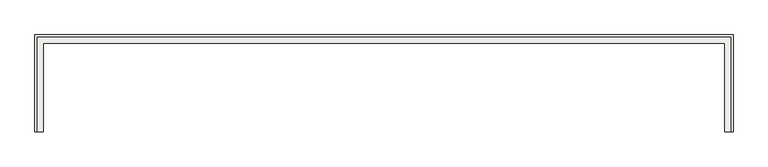
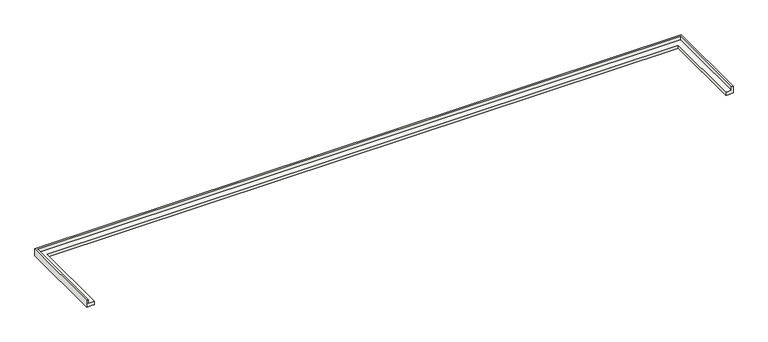
"""IFC4 building model written with IfcOpenShell, lengths in millimetres: slab geometry."""

from ifc_helpers import new_model, si_unit, origin, place, context, project, spatial, faceted_brep, source, transform, mapped, element, save


def slab_2f2f7654(model_context):
    return source(origin(), model_context, "Body", "Brep", [
        faceted_brep([(72629.3852488, 10041.1764706, 13115.0), (72629.3852488, 10041.1764706, 12815.0), (72729.3852488, 10041.1764706, 12815.0), (73279.3852488, 10041.1764706, 12815.0), (73279.3852488, 10041.1764706, 13415.0), (73129.3852488, 10041.1764706, 13415.0), (73129.3852488, 10041.1764706, 13115.0), (72779.3852488, 10041.1764706, 13115.0), (72629.3852488, 17091.1764706, 13115.0), (72629.3852488, 17091.1764706, 12815.0), (72629.3852488, 16941.1764706, 12815.0), (32279.3852488, 17091.1764706, 12815.0), (31779.3852488, 17091.1764706, 12815.0), (18429.3852488, 17091.1764706, 12815.0), (18429.3852488, 16941.1764706, 12815.0), (18429.3852488, 10041.1764706, 12815.0), (18329.3852488, 10041.1764706, 12815.0), (17779.3852488, 10041.1764706, 12815.0), (17779.3852488, 17741.1764706, 12815.0), (73279.3852488, 17741.1764706, 12815.0), (73279.3852488, 17741.1764706, 13415.0), (17779.3852488, 17741.1764706, 13415.0), (17779.3852488, 10041.1764706, 13415.0), (17929.3852488, 10041.1764706, 13415.0), (17929.3852488, 17591.1764706, 13415.0), (73129.3852488, 17591.1764706, 13415.0), (73129.3852488, 17591.1764706, 13115.0), (17929.3852488, 17591.1764706, 13115.0), (17929.3852488, 10041.1764706, 13115.0), (18279.3852488, 10041.1764706, 13115.0), (18429.3852488, 10041.1764706, 13115.0), (18429.3852488, 17091.1764706, 13115.0)], [[[0, 1, 2, 3, 4, 5, 6, 7]], [[1, 0, 8, 9, 10]], [[3, 2, 1, 10, 9, 11, 12, 13, 14, 15, 16, 17, 18, 19]], [[4, 3, 19, 20]], [[5, 4, 20, 21, 22, 23, 24, 25]], [[6, 5, 25, 26]], [[0, 7, 6, 26, 27, 28, 29, 30, 31, 8]], [[9, 8, 31, 13, 12, 11]], [[19, 18, 21, 20]], [[25, 24, 27, 26]], [[17, 16, 15, 30, 29, 28, 23, 22]], [[15, 14, 13, 31, 30]], [[18, 17, 22, 21]], [[24, 23, 28, 27]]]),
    ])


if __name__ == "__main__":
    model = new_model("IFC4")
    model_context = context("Model", 3, world=origin())
    ifc_project = project(units=[si_unit("LENGTHUNIT", "METRE", prefix="MILLI")], contexts=[model_context])
    site = spatial("IfcSite", under=ifc_project)
    building = spatial("IfcBuilding", under=site)
    placement = place(None, origin())
    slab_shape = slab_2f2f7654(model_context)
    element("IfcSlab", 1, at=placement, inside=building, context=model_context, shape_type="MappedRepresentation", body=[
        mapped(slab_shape, transform((0.0, 0.0, 0.0), x_axis=(1.0, 0.0, 0.0), y_axis=(0.0, 1.0, 0.0), z_axis=(0.0, 0.0, 1.0))),
    ])
    save(model, "model.ifc")
